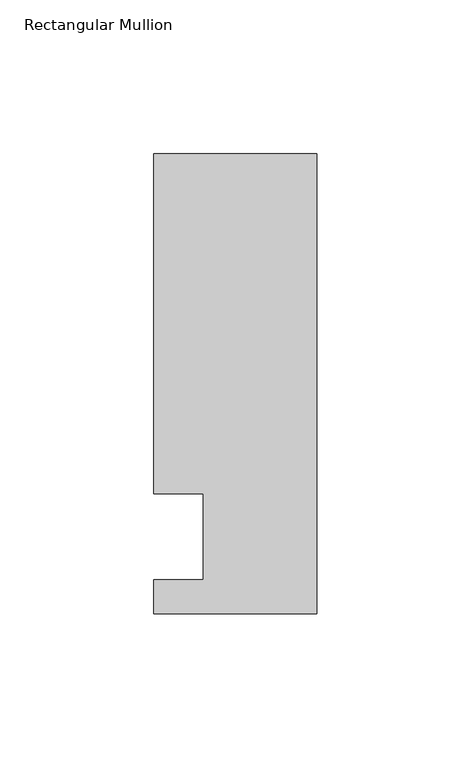
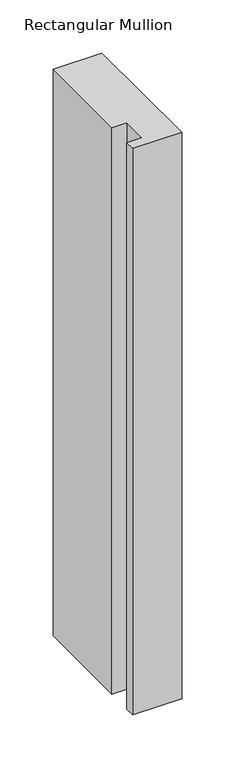
"""IFC4 building model written with IfcOpenShell, lengths in millimetres: member geometry, Rectangular Mullion."""

from ifc_helpers import new_model, si_unit, frame, origin, place, context, project, spatial, polyline, outline, extrude, source, transform, mapped, element, save


def rectangular_mullion_40976a5a(model_context):
    return source(origin(), model_context, "Body", "SweptSolid", [
        extrude(outline(polyline([(-37.0, -13.9999453), (-37.0, 14.0000547), (-53.0, 14.0000547), (-53.0, 124.5000547), (0.0, 124.5000547), (0.0, -24.9999453), (-53.0, -24.9999453), (-53.0, -13.9999453), (-37.0, -13.9999453)])), frame((0.0, 0.0, -650.20085), z_axis=(0.0, 0.0, 1.0), x_axis=(1.0, 0.0, 0.0)), (0.0, 0.0, 1.0), 650.20085),
    ])


if __name__ == "__main__":
    model = new_model("IFC4")
    model_context = context("Model", 3, world=origin())
    ifc_project = project(units=[si_unit("LENGTHUNIT", "METRE", prefix="MILLI")], contexts=[model_context])
    site = spatial("IfcSite", under=ifc_project)
    building = spatial("IfcBuilding", under=site)
    placement = place(None, origin())
    rectangular_mullion_shape = rectangular_mullion_40976a5a(model_context)
    element("IfcMember", 1, ObjectType="Rectangular Mullion", at=placement, inside=building, context=model_context, shape_type="MappedRepresentation", body=[
        mapped(rectangular_mullion_shape, transform((0.0, 0.0, 0.0), x_axis=(1.0, 0.0, 0.0), y_axis=(0.0, 1.0, 0.0), z_axis=(0.0, 0.0, 1.0))),
    ])
    save(model, "model.ifc")
